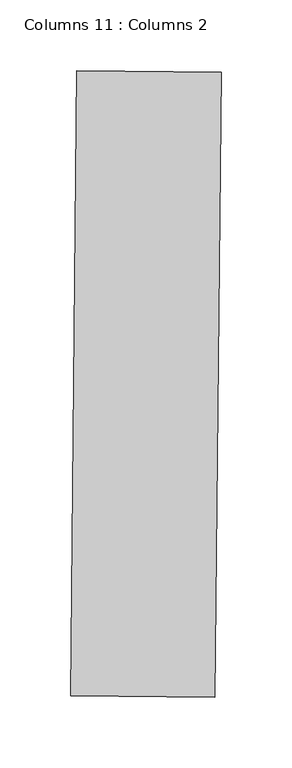
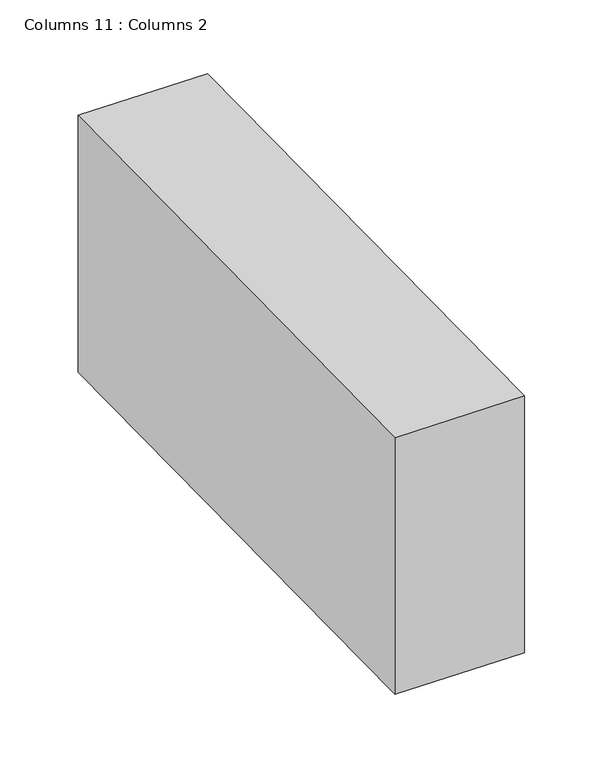
"""IFC4 building model written with IfcOpenShell, lengths in millimetres: column geometry, Columns 11 : Columns 2."""

from ifc_helpers import new_model, si_unit, frame, origin, place, context, project, spatial, polyline, outline, extrude, source, transform, mapped, element, save


def columns_11_columns_2_bd4a4baa(model_context):
    return source(origin(), model_context, "Body", "SweptSolid", [
        extrude(outline(polyline([(-40906.8302901, 39147.549567), (-40902.389807, 39590.1177136), (-40800.2952445, 39589.0933534), (-40804.7357276, 39146.5252068), (-40906.8302901, 39147.549567)])), frame((0.0, 0.0, 108579.7097041), z_axis=(0.0, 0.0, 1.0), x_axis=(1.0, 0.0, 0.0)), (0.0, 0.0, 1.0), 215.2231626),
    ])


if __name__ == "__main__":
    model = new_model("IFC4")
    model_context = context("Model", 3, world=origin())
    ifc_project = project(units=[si_unit("LENGTHUNIT", "METRE", prefix="MILLI")], contexts=[model_context])
    site = spatial("IfcSite", under=ifc_project)
    building = spatial("IfcBuilding", under=site)
    placement = place(None, origin())
    columns_11_columns_2_shape = columns_11_columns_2_bd4a4baa(model_context)
    element("IfcColumn", 1, ObjectType="Columns 11 : Columns 2", at=placement, inside=building, context=model_context, shape_type="MappedRepresentation", body=[
        mapped(columns_11_columns_2_shape, transform((0.0, 0.0, 0.0), x_axis=(1.0, 0.0, 0.0), y_axis=(0.0, 1.0, 0.0), z_axis=(0.0, 0.0, 1.0))),
    ])
    save(model, "model.ifc")
